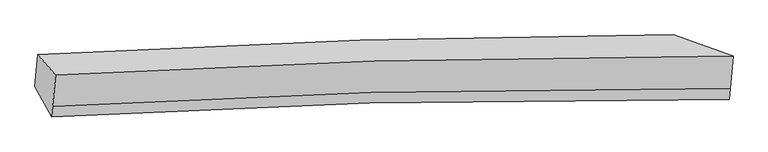
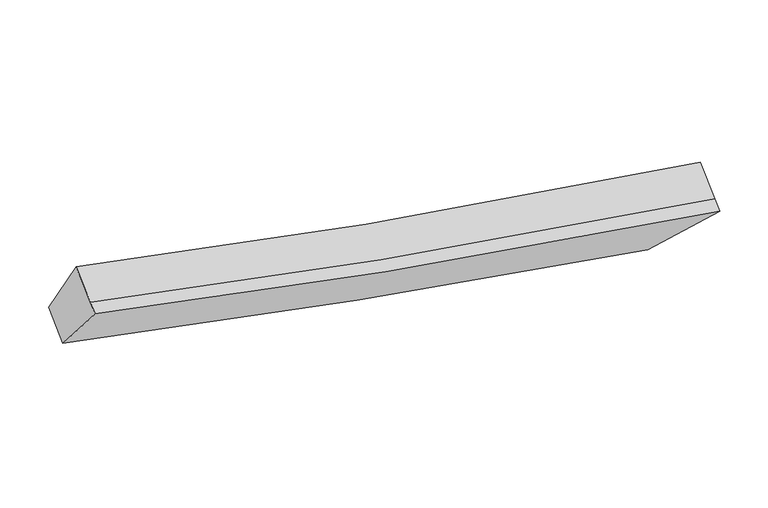
"""IFC4 building model written with IfcOpenShell, lengths in millimetres: proxy geometry."""

import ifcopenshell
import ifcopenshell.guid

model = None  # the IFC model being written
_history = None  # IfcOwnerHistory: only IFC2X3 demands one
_inside = {}  # id of a spatial element -> (the spatial element, [elements in it])
_under = {}  # id of a project, library or spatial element -> (it, [spatial elements below it])
_declared = {}  # id of a project -> (the project, [libraries it declares])
_typed = {}  # id of a type object -> (the type object, [elements of that type])
_made_of = {}  # id of a material, layer set ... -> (it, [elements and type objects made of it])


def new_model(schema):
    """Start an empty IFC model of exactly this schema.

    Asked for "IFC4X3", IfcOpenShell would pick the latest addendum, in which some entities
    have other attributes; the version numbers below select the first issue.
    IFC2X3 requires an IfcOwnerHistory on every rooted entity: one is made here for all.
    """
    global model, _history
    if schema == "IFC4X3":
        model = ifcopenshell.file(schema_version=(4, 3, 0, 0))
    else:
        model = ifcopenshell.file(schema=schema)
    _inside.clear()
    _under.clear()
    _declared.clear()
    _typed.clear()
    _made_of.clear()
    _history = None
    if model.schema == "IFC2X3":
        org = make("IfcOrganization", Name="unknown")
        user = make(
            "IfcPersonAndOrganization",
            ThePerson=make("IfcPerson", FamilyName="unknown"),
            TheOrganization=org,
        )
        app = make(
            "IfcApplication",
            ApplicationDeveloper=org,
            Version="unknown",
            ApplicationFullName="unknown",
            ApplicationIdentifier="unknown",
        )
        _history = make(
            "IfcOwnerHistory",
            OwningUser=user,
            OwningApplication=app,
            ChangeAction="ADDED",
            CreationDate=0,
        )
    return model


def make(cls, **values):
    """One entity of the class cls with the attributes given. An attribute that is None is left unset."""
    return model.create_entity(
        cls, **{name: value for name, value in values.items() if value is not None}
    )


def rooted(cls, **values):
    """An entity with a GlobalId (a new one), such as an element, a storey or a relation."""
    return make(cls, GlobalId=ifcopenshell.guid.new(), OwnerHistory=_history, **values)


def si_unit(unit_type, name, prefix=None):
    """IfcSIUnit, for example si_unit("LENGTHUNIT", "METRE", prefix="MILLI")."""
    return make("IfcSIUnit", UnitType=unit_type, Prefix=prefix, Name=name)


def assignment(units):
    """IfcUnitAssignment: the units of a project."""
    return None if units is None else make("IfcUnitAssignment", Units=units)


def point(xyz):
    """IfcCartesianPoint."""
    return None if xyz is None else make("IfcCartesianPoint", Coordinates=xyz)


def direction(xyz):
    """IfcDirection."""
    return None if xyz is None else make("IfcDirection", DirectionRatios=xyz)


def frame(location, z_axis=None, x_axis=None):
    """IfcAxis2Placement3D, a coordinate frame: its origin and axes. An axis left out is left unset."""
    return make(
        "IfcAxis2Placement3D",
        Location=point(location),
        Axis=direction(z_axis),
        RefDirection=direction(x_axis),
    )


def origin():
    """The frame at (0, 0, 0) with its axes left unset."""
    return frame((0.0, 0.0, 0.0))


def place(relative_to, where):
    """IfcLocalPlacement: puts the frame where relative to a parent placement (None: the world)."""
    return make(
        "IfcLocalPlacement", PlacementRelTo=relative_to, RelativePlacement=where
    )


def context(
    kind, dimensions, precision=None, world=None, true_north=None, identifier=None
):
    """IfcGeometricRepresentationContext, for example the 3D "Model" context."""
    return make(
        "IfcGeometricRepresentationContext",
        ContextIdentifier=identifier,
        ContextType=kind,
        CoordinateSpaceDimension=dimensions,
        Precision=precision,
        WorldCoordinateSystem=world,
        TrueNorth=true_north,
    )


def project(units=None, contexts=None):
    """IfcProject with its units and contexts."""
    return rooted(
        "IfcProject",
        Name="project",
        RepresentationContexts=contexts,
        UnitsInContext=assignment(units),
    )


def spatial(cls, under=None, at=None, **own):
    """A site, building, storey or space (cls), placed at a placement, below another one or the project."""
    s = rooted(cls, ObjectPlacement=at, **own)
    if under is not None:
        _under.setdefault(under.id(), (under, []))[1].append(s)
    return s


def shape(context_of_items, identifier, shape_type, items):
    """IfcShapeRepresentation: the items that make up one representation, for example the "Body"."""
    return make(
        "IfcShapeRepresentation",
        ContextOfItems=context_of_items,
        RepresentationIdentifier=identifier,
        RepresentationType=shape_type,
        Items=items,
    )


def source(mapping_origin, context_of_items, identifier, shape_type, items):
    """IfcRepresentationMap: a shape defined once, which mapped items show again and again."""
    return make(
        "IfcRepresentationMap",
        MappingOrigin=mapping_origin,
        MappedRepresentation=shape(context_of_items, identifier, shape_type, items),
    )


def transform(
    local_origin,
    x_axis=None,
    y_axis=None,
    z_axis=None,
    scale=None,
    scale2=None,
    scale3=None,
    uniform=True,
):
    """IfcCartesianTransformationOperator3D, or its non-uniform kind. x_axis, y_axis, z_axis: its Axis1, 2, 3."""
    if uniform:
        return make(
            "IfcCartesianTransformationOperator3D",
            Axis1=direction(x_axis),
            Axis2=direction(y_axis),
            LocalOrigin=point(local_origin),
            Scale=scale,
            Axis3=direction(z_axis),
        )
    return make(
        "IfcCartesianTransformationOperator3DnonUniform",
        Axis1=direction(x_axis),
        Axis2=direction(y_axis),
        LocalOrigin=point(local_origin),
        Scale=scale,
        Axis3=direction(z_axis),
        Scale2=scale2,
        Scale3=scale3,
    )


def mapped(mapping_source, mapping_target):
    """IfcMappedItem: shows the shape of a source again, moved by a transform."""
    return make(
        "IfcMappedItem", MappingSource=mapping_source, MappingTarget=mapping_target
    )


def made_of(thing, what):
    """Note that an element or type object is made of a material, layer set ...; save() writes the relation."""
    if what is not None:
        _made_of.setdefault(what.id(), (what, []))[1].append(thing)
    return thing


def element(
    cls,
    number,
    at=None,
    inside=None,
    cuts=None,
    type_object=None,
    material=None,
    context=None,
    identifier="Body",
    shape_type=None,
    held_by="IfcProductDefinitionShape",
    body=None,
    shapes=None,
    **own,
):
    """One element of the class cls, such as IfcWall. Its Tag is "e" and its number.

    at: its placement. inside: the storey or other place that contains it. cuts: it is an
    opening in that element (IfcRelVoidsElement). A single representation is given by context,
    identifier, shape_type and body (its items); several are given by shapes. held_by: the class
    of the entity that holds the representations. save() writes the other relations.
    """
    e = rooted(cls, Tag="e%d" % number, ObjectPlacement=at, **own)
    if body is not None:
        shapes = [shape(context, identifier, shape_type, body)]
    if shapes is not None:
        e.Representation = make(held_by, Representations=shapes)
    if inside is not None:
        _inside.setdefault(inside.id(), (inside, []))[1].append(e)
    if cuts is not None:
        rooted(
            "IfcRelVoidsElement", RelatingBuildingElement=cuts, RelatedOpeningElement=e
        )
    if type_object is not None:
        _typed.setdefault(type_object.id(), (type_object, []))[1].append(e)
    return made_of(e, material)


def aggregate(whole, parts):
    """IfcRelAggregates: a whole, such as a stair, and the parts it consists of."""
    return rooted("IfcRelAggregates", RelatingObject=whole, RelatedObjects=parts)


def save(model, path):
    """Write the relations noted so far, then the file.

    IfcRelAggregates (storeys below a building ...), IfcRelContainedInSpatialStructure (elements
    in a storey), IfcRelDefinesByType, IfcRelAssociatesMaterial and IfcRelDeclares: one each for
    every whole, place, type object, material and project.
    """
    for whole, parts in _under.values():
        aggregate(whole, parts)
    for where, things in _inside.values():
        rooted(
            "IfcRelContainedInSpatialStructure",
            RelatedElements=things,
            RelatingStructure=where,
        )
    for kind, things in _typed.values():
        rooted("IfcRelDefinesByType", RelatedObjects=things, RelatingType=kind)
    for what, things in _made_of.values():
        rooted("IfcRelAssociatesMaterial", RelatedObjects=things, RelatingMaterial=what)
    for by, libraries in _declared.values():
        rooted("IfcRelDeclares", RelatingContext=by, RelatedDefinitions=libraries)
    model.write(path)


def plane_surface(at):
    """IfcPlane: the flat surface through the origin of the frame at, square to its z axis."""
    return make("IfcPlane", Position=at)


def spline_curve(degree, points, multiplicities, knots, weights=None):
    """IfcBSplineCurveWithKnots; with weights, IfcRationalBSplineCurveWithKnots."""
    own = dict(
        Degree=degree,
        ControlPointsList=[point(p) for p in points],
        CurveForm="UNSPECIFIED",
        ClosedCurve=False,
        SelfIntersect=False,
        KnotMultiplicities=multiplicities,
        Knots=knots,
        KnotSpec="UNSPECIFIED",
    )
    if weights is None:
        return make("IfcBSplineCurveWithKnots", **own)
    return make("IfcRationalBSplineCurveWithKnots", WeightsData=weights, **own)


def spline_surface(u_degree, v_degree, points, u_multiplicities, v_multiplicities, u_knots, v_knots, weights=None):
    """IfcBSplineSurfaceWithKnots; with weights, IfcRationalBSplineSurfaceWithKnots. points: one row for each step in u."""
    own = dict(
        UDegree=u_degree,
        VDegree=v_degree,
        ControlPointsList=[[point(p) for p in row] for row in points],
        SurfaceForm="UNSPECIFIED",
        UClosed=False,
        VClosed=False,
        SelfIntersect=False,
        UMultiplicities=u_multiplicities,
        VMultiplicities=v_multiplicities,
        UKnots=u_knots,
        VKnots=v_knots,
        KnotSpec="UNSPECIFIED",
    )
    if weights is None:
        return make("IfcBSplineSurfaceWithKnots", **own)
    return make("IfcRationalBSplineSurfaceWithKnots", WeightsData=weights, **own)


def advanced_brep(points, edges, surfaces, faces):
    """IfcAdvancedBrep: a solid bounded by faces that lie on surfaces and meet in shared edges.

    An edge is (start, end): straight between two places in points (the first is 0);
    or (start, end, curve); or (start, end, curve, False) where it runs against its curve.
    A face is (place in surfaces, loops), or (place, loops, False) where it looks against
    its surface's normal. A loop lists edges by number (the first is 1), with a minus sign
    where the edge is run from its end to its start. The first loop is the outer one.
    """
    corners = [point(p) for p in points]
    vertices = [make("IfcVertexPoint", VertexGeometry=c) for c in corners]
    made = []
    for start, end, *more in edges:
        made.append(
            make(
                "IfcEdgeCurve",
                EdgeStart=vertices[start],
                EdgeEnd=vertices[end],
                EdgeGeometry=more[0] if more else make("IfcPolyline", Points=[corners[start], corners[end]]),
                SameSense=more[1] if len(more) > 1 else True,
            )
        )
    hull = []
    for where, loops, *sense in faces:
        bounds = []
        for j, loop in enumerate(loops):
            ring = [make("IfcOrientedEdge", EdgeElement=made[abs(k) - 1], Orientation=k > 0) for k in loop]
            bounds.append(
                make(
                    "IfcFaceOuterBound" if j == 0 else "IfcFaceBound",
                    Bound=make("IfcEdgeLoop", EdgeList=ring),
                    Orientation=True,
                )
            )
        hull.append(make("IfcAdvancedFace", Bounds=bounds, FaceSurface=surfaces[where], SameSense=sense[0] if sense else True))
    return make("IfcAdvancedBrep", Outer=make("IfcClosedShell", CfsFaces=hull))


def generic_models_f3749d89(model_context):
    return source(origin(), model_context, "Body", "AdvancedBrep", [
        advanced_brep(
        [(-3620.9582768, -1836.4284541, 3753.6616885), (-3405.8531317, -2083.6913393, 4389.4916623), (4848.1363642, -1852.4813374, 2796.2055426), (4121.6427152, -1592.7761393, 2204.6692446), (-3441.9488194, -2469.820463, 4145.4085643), (4810.9276254, -2250.5171868, 2544.5958678), (-3453.7646056, -2596.2183636, 4065.5088901), (4798.3241202, -2385.3416141, 2459.3695488), (-3657.2688886, -2224.8567022, 3508.1252492), (4083.9200996, -1996.3091221, 1949.584677)],
        [
            (0, 1),
            (1, 2, spline_curve(3, [(-3405.8531317, -2083.6913393, 4389.4916623), (-2160.095715437, -2007.377273216, 4064.796824843), (-868.464637145, -1949.949566268, 3772.265337534), (1877.844006652, -1870.812323745, 3237.649464343), (3337.542759873, -1851.17003001, 2999.085577964), (4848.1363642, -1852.4813374, 2796.2055426)], [4, 2, 4], [0.0, 13.037671701511425, 26.770350332273935])),
            (2, 3),
            (3, 0, spline_curve(3, [(4121.6427152, -1592.7761393, 2204.6692446), (2904.635425816, -1595.090940209, 2375.744005331), (1632.776007008, -1617.590613488, 2594.932830294), (-953.502595894, -1700.799452288, 3116.010486687), (-2262.510174993, -1759.517217455, 3413.152475996), (-3620.9582768, -1836.4284541, 3753.6616885)], [4, 2, 4], [0.0, 13.73267863076251, 26.770350332273935])),
            (1, 4),
            (4, 5, spline_curve(3, [(-3441.9488194, -2469.820463, 4145.4085643), (-2196.019855566, -2391.671288057, 3821.873750874), (-904.388777339, -2334.243581328, 3529.342263695), (1841.567626455, -2258.874381519, 2992.344504083), (3300.895362608, -2243.200996747, 2751.271759181), (4810.9276254, -2250.5171868, 2544.5958678)], [4, 2, 4], [0.0, 13.445834924018403, 27.608434977248926])),
            (5, 2),
            (4, 6),
            (6, 7, spline_curve(3, [(-3453.7646056, -2596.2183636, 4065.5088901), (-2207.714235852, -2516.77046104, 3742.7950393), (-916.083157128, -2459.34275407, 3450.263551896), (1829.623962167, -2386.640242036, 2911.58010395), (3288.689125785, -2373.775698939, 2668.731810522), (4798.3241202, -2385.3416141, 2459.3695488)], [4, 2, 4], [0.0, 13.445827760125445, 27.608420267573102])),
            (7, 5),
            (6, 8),
            (8, 9, spline_curve(3, [(-3657.2688886, -2224.8567022, 3508.1252492), (-2298.603163301, -2145.617467247, 3169.087630027), (-989.595584544, -2086.899702477, 2871.945640459), (1596.23617109, -2008.47095947, 2347.846350833), (2867.624921585, -1991.006197642, 2125.474816239), (4083.9200996, -1996.3091221, 1949.584677)], [4, 2, 4], [0.0, 13.037658815140436, 26.770323872590502])),
            (9, 7),
            (8, 0),
            (3, 9),
        ],
        [
            spline_surface(3, 3, [[(-3620.9582768, -1836.4284541, 3753.6616885), (-2262.510174979, -1759.517217422, 3413.152476084), (-953.502596063, -1700.799452431, 3116.010486493), (1632.776007185, -1617.590613338, 2594.932830497), (2904.635425593, -1595.090940022, 2375.744005433), (4121.6427152, -1592.7761393, 2204.6692446)], [(-3549.256561777, -1918.849415833, 3965.605013095), (-2228.372021854, -1842.137236089, 3630.367259021), (-925.156609744, -1783.849490422, 3334.762103535), (1714.465340263, -1701.997850108, 2809.171708364), (3048.937870359, -1680.450636672, 2583.524529664), (4363.807264865, -1679.344538645, 2401.848010601)], [(-3477.554846723, -2001.270377567, 4177.548337705), (-2194.233868699, -1924.757254756, 3847.582041974), (-896.810623332, -1866.89952839, 3553.513720652), (1796.154673436, -1786.405086856, 3023.410586308), (3193.240315129, -1765.810333384, 2791.305053892), (4605.971814535, -1765.912938055, 2599.026776599)], [(-3405.8531317, -2083.6913393, 4389.4916623), (-2160.095715574, -2007.377273422, 4064.79682491), (-868.464637014, -1949.949566381, 3772.265337693), (1877.844006514, -1870.812323625, 3237.649464175), (3337.542759895, -1851.170030034, 2999.085578124), (4848.1363642, -1852.4813374, 2796.2055426)]], [4, 4], [4, 2, 4], [0.0, 2.3503102817661796], [0.0, 13.037671701511425, 26.770350332273935]),
            spline_surface(3, 3, [[(-3405.8531317, -2083.6913393, 4389.4916623), (-2160.095715574, -2007.377273422, 4064.79682491), (-868.464637014, -1949.949566381, 3772.265337693), (1877.844006514, -1870.812323625, 3237.649464175), (3337.542759895, -1851.170030034, 2999.085578124), (4848.1363642, -1852.4813374, 2796.2055426)], [(-3417.885027605, -2212.401047216, 4308.130629627), (-2172.070428948, -2135.475278338, 3983.822466938), (-880.439350388, -2078.047571298, 3691.290979721), (1865.751879815, -2000.166342957, 3155.881144103), (3325.32696085, -1981.847018888, 2916.480971743), (4835.733451256, -1985.159953885, 2712.335650999)], [(-3429.916923495, -2341.110755084, 4226.769596973), (-2184.045142308, -2263.573283208, 3902.848108984), (-892.414063848, -2206.145576267, 3610.316621766), (1853.659753031, -2129.520362341, 3074.11282405), (3313.111161837, -2112.524007686, 2833.876365364), (4823.330538344, -2117.838570315, 2628.465759401)], [(-3441.9488194, -2469.820463, 4145.4085643), (-2196.019855682, -2391.671288124, 3821.873751011), (-904.388777222, -2334.243581183, 3529.342263794), (1841.567626333, -2258.874381672, 2992.344503979), (3300.895362792, -2243.200996541, 2751.271758983), (4810.9276254, -2250.5171868, 2544.5958678)]], [4, 4], [4, 2, 4], [0.0, 1.5039673323341867], [0.0, 13.445834924018403, 27.608434977248926]),
            spline_surface(3, 3, [[(-3441.9488194, -2469.820463, 4145.4085643), (-2196.019855682, -2391.671288124, 3821.873751011), (-904.388777222, -2334.243581183, 3529.342263794), (1841.567626333, -2258.874381672, 2992.344503979), (3300.895362792, -2243.200996541, 2751.271758983), (4810.9276254, -2250.5171868, 2544.5958678)], [(-3445.887414779, -2511.953096529, 4118.775339591), (-2199.917982326, -2433.371012406, 3795.514180434), (-908.286903866, -2375.943305465, 3502.982693217), (1837.586404928, -2301.463001798, 2965.423037295), (3296.826617046, -2286.725897412, 2723.758442861), (4806.726456996, -2295.458662564, 2516.187094777)], [(-3449.826010221, -2554.085730071, 4092.142114809), (-2203.816109034, -2475.070736701, 3769.154609784), (-912.185030474, -2417.643029761, 3476.623122566), (1833.605183561, -2344.051621939, 2938.501570536), (3292.757871313, -2330.250798293, 2696.245126806), (4802.525288604, -2340.400138336, 2487.778321823)], [(-3453.7646056, -2596.2183636, 4065.5088901), (-2207.714235678, -2516.770460983, 3742.795039207), (-916.083157118, -2459.342754042, 3450.263551989), (1829.623962156, -2386.640242066, 2911.580103852), (3288.689125567, -2373.775699164, 2668.731810684), (4798.3241202, -2385.3416141, 2459.3695488)]], [4, 4], [4, 2, 4], [0.0, 0.49254109016869874], [0.0, 13.445827760125445, 27.608420267573102]),
            spline_surface(3, 3, [[(-3453.7646056, -2596.2183636, 4065.5088901), (-2207.714235678, -2516.770460983, 3742.795039207), (-916.083157118, -2459.342754042, 3450.263551989), (1829.623962156, -2386.640242066, 2911.580103852), (3288.689125567, -2373.775699164, 2668.731810684), (4798.3241202, -2385.3416141, 2459.3695488)], [(-3521.599366629, -2472.431143127, 3879.714343119), (-2238.010544977, -2393.052796466, 3551.559236107), (-940.58729961, -2335.195070201, 3257.490914786), (1751.828031803, -2260.583814558, 2723.668852885), (3148.334390904, -2246.185865359, 2487.646145951), (4560.189446665, -2255.664116758, 2289.441258209)], [(-3589.434127571, -2348.643922673, 3693.919796181), (-2268.306854188, -2269.33513197, 3360.323433053), (-965.091442078, -2211.047386303, 3064.718277566), (1674.032101472, -2134.527386994, 2535.757601902), (3007.979656247, -2118.596031579, 2306.560481192), (4322.054773135, -2125.986619442, 2119.512967591)], [(-3657.2688886, -2224.8567022, 3508.1252492), (-2298.603163487, -2145.617467453, 3169.087629953), (-989.59558457, -2086.899702461, 2871.945640363), (1596.236171118, -2008.470959487, 2347.846350934), (2867.624921584, -1991.006197774, 2125.474816459), (4083.9200996, -1996.3091221, 1949.584677)]], [4, 4], [4, 2, 4], [0.0, 2.3000547677394816], [0.0, 13.037658815140436, 26.770323872590502]),
            spline_surface(3, 3, [[(-3657.2688886, -2224.8567022, 3508.1252492), (-2298.603163487, -2145.617467453, 3169.087629953), (-989.59558457, -2086.899702461, 2871.945640363), (1596.236171118, -2008.470959487, 2347.846350934), (2867.624921584, -1991.006197774, 2125.474816459), (4083.9200996, -1996.3091221, 1949.584677)], [(-3645.165351311, -2095.380619496, 3589.970728968), (-2286.572167295, -2016.917384106, 3250.442578665), (-977.564588378, -1958.199619114, 2953.300589075), (1608.416116496, -1878.177510767, 2430.20851079), (2879.961756272, -1859.034445204, 2208.897879464), (4096.494304818, -1861.798127848, 2034.612866213)], [(-3633.061814089, -1965.904536804, 3671.816208732), (-2274.541171171, -1888.21730077, 3331.797527372), (-965.533592254, -1829.499535778, 3034.655537781), (1620.596061807, -1747.884062058, 2512.570670641), (2892.298590905, -1727.062692592, 2292.320942428), (4109.068509982, -1727.287133552, 2119.641055387)], [(-3620.9582768, -1836.4284541, 3753.6616885), (-2262.510174979, -1759.517217422, 3413.152476084), (-953.502596063, -1700.799452431, 3116.010486493), (1632.776007185, -1617.590613338, 2594.932830497), (2904.635425593, -1595.090940022, 2375.744005433), (4121.6427152, -1592.7761393, 2204.6692446)]], [4, 4], [4, 2, 4], [0.0, 1.5130764355858493], [0.0, 12.629194398145023, 25.93162078268469]),
            plane_surface(frame((4463.0058248, -1956.7270532, 2352.4572533), z_axis=(0.6633285200003785, 0.3545634681967554, -0.6589992576432817), x_axis=(-0.7441708547979881, 0.405242179194111, -0.5310259080979384))),
            plane_surface(frame((-3534.4612257, -2185.2987148, 3929.1968725), z_axis=(-0.9535599787302504, -0.09213333337668086, 0.2867661344107178), x_axis=(-0.07877190757709443, -0.8426526705720813, -0.5326644941747153))),
        ],
        [
            (0, [[1, 2, 3, 4]]),
            (1, [[5, 6, 7, -2]]),
            (2, [[8, 9, 10, -6]]),
            (3, [[11, 12, 13, -9]]),
            (4, [[14, -4, 15, -12]]),
            (5, [[-13, -15, -3, -7, -10]]),
            (6, [[-14, -11, -8, -5, -1]]),
        ],
    ),
    ])


if __name__ == "__main__":
    model = new_model("IFC4")
    model_context = context("Model", 3, world=origin())
    ifc_project = project(units=[si_unit("LENGTHUNIT", "METRE", prefix="MILLI")], contexts=[model_context])
    site = spatial("IfcSite", under=ifc_project)
    building = spatial("IfcBuilding", under=site)
    placement = place(None, origin())
    generic_models_shape = generic_models_f3749d89(model_context)
    element("IfcBuildingElementProxy", 1, Name="Generic Models", at=placement, inside=building, context=model_context, shape_type="MappedRepresentation", body=[
        mapped(generic_models_shape, transform((0.0, 0.0, 0.0), x_axis=(1.0, 0.0, 0.0), y_axis=(0.0, 1.0, 0.0), z_axis=(0.0, 0.0, 1.0))),
    ])
    save(model, "model.ifc")
